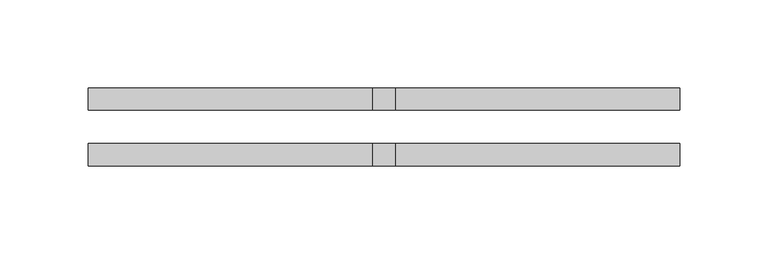
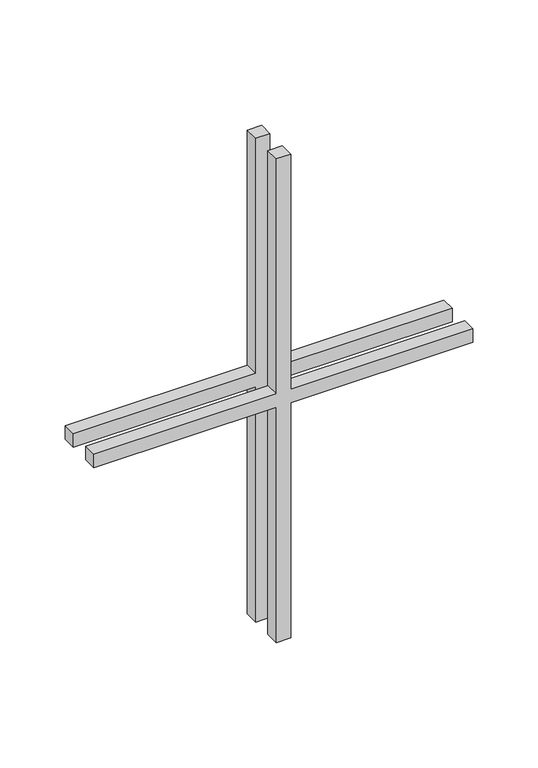
"""IFC4 building model written with IfcOpenShell, lengths in millimetres: proxy geometry."""

from ifc_helpers import new_model, si_unit, frame, origin, place, context, project, spatial, polyline, outline, extrude, source, transform, mapped, element, save


def generic_models_9556eec0(model_context):
    return source(origin(), model_context, "Body", "SweptSolid", [
        extrude(outline(polyline([(233.325, -6.35), (233.325, -168.15), (220.625, -168.15), (220.625, -6.35), (0.0, -6.35), (0.0, 6.35), (220.625, 6.35), (220.625, 168.15), (233.325, 168.15), (233.325, 6.35), (453.95, 6.35), (453.95, -6.35), (233.325, -6.35)])), frame((0.0, -22.225, 0.0), z_axis=(0.0, 1.0, 0.0), x_axis=(0.0, 0.0, 1.0)), (0.0, 0.0, 1.0), 12.7),
        extrude(outline(polyline([(233.325, -6.35), (233.325, -168.15), (220.625, -168.15), (220.625, -6.35), (0.0, -6.35), (0.0, 6.35), (220.625, 6.35), (220.625, 168.15), (233.325, 168.15), (233.325, 6.35), (453.95, 6.35), (453.95, -6.35), (233.325, -6.35)])), frame((0.0, 9.525, 0.0), z_axis=(0.0, 1.0, 0.0), x_axis=(0.0, 0.0, 1.0)), (0.0, 0.0, 1.0), 12.7),
    ])


if __name__ == "__main__":
    model = new_model("IFC4")
    model_context = context("Model", 3, world=origin())
    ifc_project = project(units=[si_unit("LENGTHUNIT", "METRE", prefix="MILLI")], contexts=[model_context])
    site = spatial("IfcSite", under=ifc_project)
    building = spatial("IfcBuilding", under=site)
    placement = place(None, origin())
    generic_models_shape = generic_models_9556eec0(model_context)
    element("IfcBuildingElementProxy", 1, Name="Generic Models", at=placement, inside=building, context=model_context, shape_type="MappedRepresentation", body=[
        mapped(generic_models_shape, transform((0.0, 0.0, 0.0), x_axis=(1.0, 0.0, 0.0), y_axis=(0.0, 1.0, 0.0), z_axis=(0.0, 0.0, 1.0))),
    ])
    save(model, "model.ifc")
